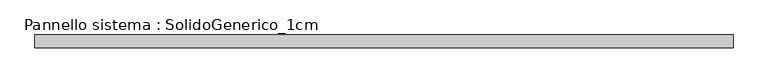
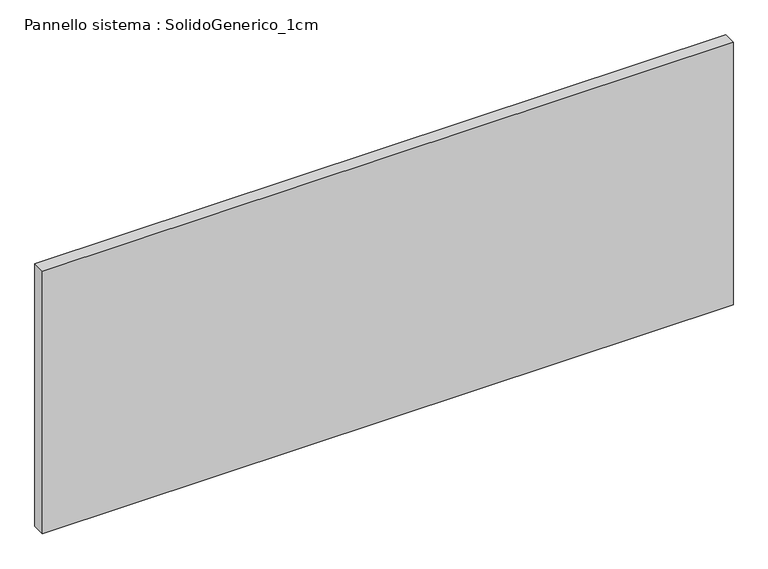
"""IFC4 building model written with IfcOpenShell, lengths in millimetres: plate geometry, Pannello sistema : SolidoGenerico_1cm."""

from ifc_helpers import new_model, si_unit, origin, origin_with_axes, place, context, project, spatial, polyline, outline, extrude, source, transform, mapped, element, save


def pannello_sistema_solidogenerico_1cm_64f0a7ce(model_context):
    return source(origin(), model_context, "Body", "SweptSolid", [
        extrude(outline(polyline([(671.7552347, -12.5), (-671.7552347, -12.5), (-671.7552347, 12.5), (671.7552347, 12.5), (671.7552347, -12.5)])), origin_with_axes(), (0.0, 0.0, 1.0), 540.0),
    ])


if __name__ == "__main__":
    model = new_model("IFC4")
    model_context = context("Model", 3, world=origin())
    ifc_project = project(units=[si_unit("LENGTHUNIT", "METRE", prefix="MILLI")], contexts=[model_context])
    site = spatial("IfcSite", under=ifc_project)
    building = spatial("IfcBuilding", under=site)
    placement = place(None, origin())
    pannello_sistema_solidogenerico_1cm_shape = pannello_sistema_solidogenerico_1cm_64f0a7ce(model_context)
    element("IfcPlate", 1, ObjectType="Pannello sistema : SolidoGenerico_1cm", at=placement, inside=building, context=model_context, shape_type="MappedRepresentation", body=[
        mapped(pannello_sistema_solidogenerico_1cm_shape, transform((0.0, 0.0, 0.0), x_axis=(1.0, 0.0, 0.0), y_axis=(0.0, 1.0, 0.0), z_axis=(0.0, 0.0, 1.0))),
    ])
    save(model, "model.ifc")
